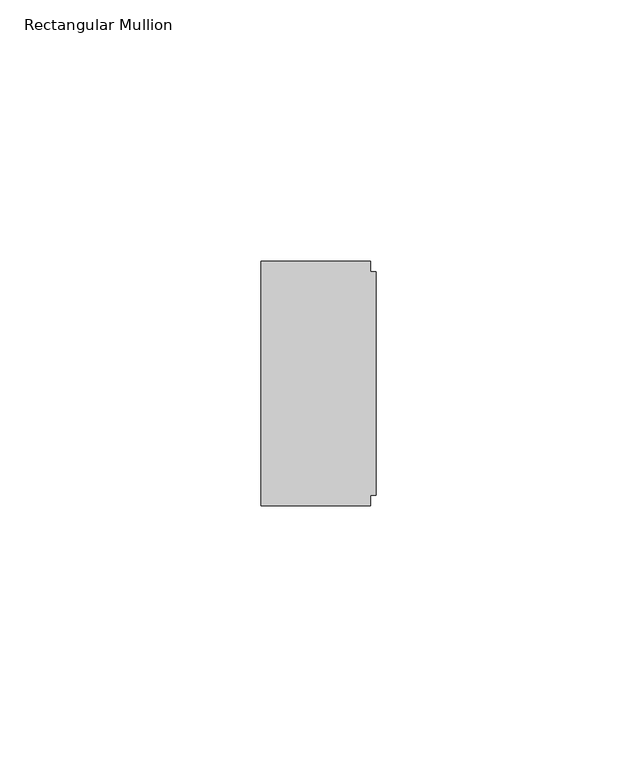
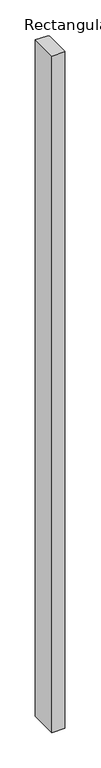
"""IFC4 building model written with IfcOpenShell, lengths in millimetres: member geometry, Rectangular Mullion."""

from ifc_helpers import new_model, si_unit, frame, origin, place, context, project, spatial, polyline, outline, extrude, source, transform, mapped, element, save


def rectangular_mullion_788fd453(model_context):
    return source(origin(), model_context, "Body", "SweptSolid", [
        extrude(outline(polyline([(-1.0, 23.4), (-1.0, 21.4), (0.0, 21.4), (0.0, -21.4), (-1.0, -21.4), (-1.0, -23.4), (-22.0, -23.4), (-22.0, 23.4), (-1.0, 23.4)])), frame((0.0, 0.0, -1168.0), z_axis=(0.0, 0.0, 1.0), x_axis=(1.0, 0.0, 0.0)), (0.0, 0.0, 1.0), 1168.0),
    ])


if __name__ == "__main__":
    model = new_model("IFC4")
    model_context = context("Model", 3, world=origin())
    ifc_project = project(units=[si_unit("LENGTHUNIT", "METRE", prefix="MILLI")], contexts=[model_context])
    site = spatial("IfcSite", under=ifc_project)
    building = spatial("IfcBuilding", under=site)
    placement = place(None, origin())
    rectangular_mullion_shape = rectangular_mullion_788fd453(model_context)
    element("IfcMember", 1, ObjectType="Rectangular Mullion", at=placement, inside=building, context=model_context, shape_type="MappedRepresentation", body=[
        mapped(rectangular_mullion_shape, transform((0.0, 0.0, 0.0), x_axis=(1.0, 0.0, 0.0), y_axis=(0.0, 1.0, 0.0), z_axis=(0.0, 0.0, 1.0))),
    ])
    save(model, "model.ifc")
